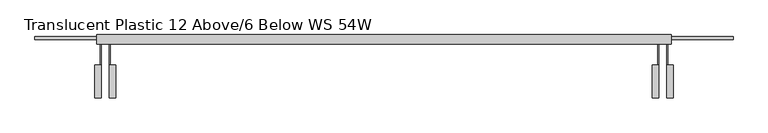
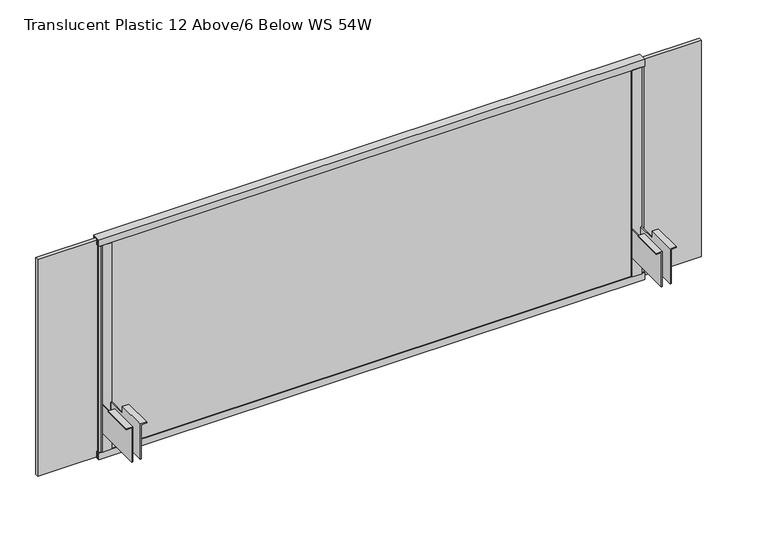
"""IFC4 building model written with IfcOpenShell, lengths in millimetres: furniture geometry, Translucent Plastic 12 Above/6 Below WS 54W."""

from ifc_helpers import new_model, si_unit, frame, origin, place, context, project, spatial, polyline, outline, extrude, faceted_brep, source, transform, mapped, element, save


def translucent_plastic_12_above_6_below_ws_54w_0bdc1dc0(model_context):
    return source(origin(), model_context, "Body", "SolidModel", [
        extrude(outline(polyline([(-532.4757006, -49.2113161), (-532.4757006, -51.894195), (-552.4146937, -51.894195), (-552.4146937, -49.2113161), (-532.4757006, -49.2113161)])), frame((0.0, 0.0, 588.644986), z_axis=(0.0, 0.0, 1.0), x_axis=(1.0, 0.0, 0.0)), (0.0, 0.0, 1.0), 447.5480281),
        extrude(outline(polyline([(552.45, -49.2113161), (552.45, -51.894195), (532.5110069, -51.894195), (532.5110069, -49.2113161), (552.45, -49.2113161)])), frame((0.0, 0.0, 588.644986), z_axis=(0.0, 0.0, 1.0), x_axis=(1.0, 0.0, 0.0)), (0.0, 0.0, 1.0), 447.5480281),
        faceted_brep([(-563.0826835, -156.7976225, 705.0008144), (-552.4146937, -156.7976225, 705.0008144), (-552.4146937, -156.7976225, 630.8328125), (-550.3826839, -156.7976225, 630.8328125), (-550.3826839, -156.7976225, 707.0328125), (-563.0826835, -156.7976225, 707.0328125), (-521.8076957, -156.7976225, 705.0008144), (-521.8076957, -156.7976225, 707.0328125), (-534.5076835, -156.7976225, 707.0328125), (-534.5076987, -156.7976225, 630.8328125), (-532.4757006, -156.7976225, 630.8328125), (-532.4757006, -156.7976225, 705.0008144), (-563.0826835, -93.169195, 705.0008144), (-563.0826835, -93.169195, 707.0328125), (-550.3826839, -93.169195, 707.0328125), (-550.3826839, -93.169195, 691.4499337), (-552.4146937, -93.169195, 691.4499337), (-552.4146937, -93.169195, 705.0008144), (-521.8076957, -93.169195, 705.0008144), (-532.4757006, -93.169195, 705.0008144), (-532.4757006, -93.169195, 691.4499337), (-534.5076835, -93.169195, 691.4499337), (-534.5076835, -93.169195, 707.0328125), (-521.8076957, -93.169195, 707.0328125), (-552.4146937, -52.0699564, 691.4499337), (-552.4146937, -52.0699564, 630.8328125), (-550.3826839, -52.9116265, 630.8328125), (-550.3826839, -52.9116265, 691.4499337), (-534.5076835, -52.9116171, 691.4499337), (-534.5076835, -52.9116171, 630.8328125), (-532.4757006, -52.0699352, 630.8328125), (-532.4757006, -52.0699352, 691.4499337), (-549.5560725, -49.2113161, 630.8328125), (-535.3343006, -49.2113161, 630.8328125), (-536.0316609, -51.3876186, 630.8328125), (-548.8587123, -51.3876186, 630.8328125), (-548.8587123, -51.3876186, 691.4499337), (-536.0316609, -51.3876186, 691.4499337), (-535.3343006, -49.2113161, 691.4499337), (-549.5560725, -49.2113161, 691.4499337)], [[[0, 1, 2, 3, 4, 5]], [[6, 7, 8, 9, 10, 11]], [[12, 13, 14, 15, 16, 17]], [[18, 19, 20, 21, 22, 23]], [[1, 0, 12, 17]], [[17, 16, 24, 25, 2, 1]], [[15, 14, 4, 3, 26, 27]], [[5, 4, 14, 13]], [[0, 5, 13, 12]], [[7, 6, 18, 23]], [[8, 7, 23, 22]], [[22, 21, 28, 29, 9, 8]], [[20, 19, 11, 10, 30, 31]], [[6, 11, 19, 18]], [[2, 25, 32, 33, 30, 10, 9, 29, 34, 35, 26, 3]], [[27, 36, 37, 28, 21, 20, 31, 38, 39, 24, 16, 15]], [[32, 25, 24, 39]], [[33, 32, 39, 38]], [[30, 33, 38, 31]], [[34, 29, 28, 37]], [[35, 34, 37, 36]], [[26, 35, 36, 27]]]),
        faceted_brep([(521.8430019, -156.7976225, 705.0008144), (532.5110069, -156.7976225, 705.0008144), (532.5110069, -156.7976225, 630.8328125), (534.5430168, -156.7976225, 630.8328125), (534.5429898, -156.7976225, 707.0328125), (521.8430019, -156.7976225, 707.0328125), (563.1179898, -156.7976225, 705.0008144), (563.1179898, -156.7976225, 707.0328125), (550.4180019, -156.7976225, 707.0328125), (550.4180019, -156.7976225, 630.8328125), (552.45, -156.7976225, 630.8328125), (552.45, -156.7976225, 705.0008144), (521.8430019, -93.169195, 705.0008144), (521.8430019, -93.169195, 707.0328125), (534.5429898, -93.169195, 707.0328125), (534.5429898, -93.169195, 691.4499337), (532.5110069, -93.169195, 691.4499337), (532.5110069, -93.169195, 705.0008144), (563.1179898, -93.169195, 705.0008144), (552.45, -93.169195, 705.0008144), (552.45, -93.169195, 691.4499337), (550.4180019, -93.169195, 691.4499337), (550.4180019, -93.169195, 707.0328125), (563.1179898, -93.169195, 707.0328125), (532.5110069, -52.0699564, 691.4499337), (532.5110069, -52.0699564, 630.8328125), (534.5429898, -52.9116265, 630.8328125), (534.5429898, -52.9116265, 691.4499337), (550.4180019, -52.9116171, 691.4499337), (550.4180019, -52.9116171, 630.8328125), (552.45, -52.0699352, 630.8328125), (552.45, -52.0699352, 691.4499337), (535.3696281, -49.2113161, 630.8328125), (549.5914, -49.2113161, 630.8328125), (548.8940397, -51.3876186, 630.8328125), (536.0669884, -51.3876186, 630.8328125), (536.0669884, -51.3876186, 691.4499337), (548.8940397, -51.3876186, 691.4499337), (549.5914, -49.2113161, 691.4499337), (535.3696281, -49.2113161, 691.4499337)], [[[0, 1, 2, 3, 4, 5]], [[6, 7, 8, 9, 10, 11]], [[12, 13, 14, 15, 16, 17]], [[18, 19, 20, 21, 22, 23]], [[1, 0, 12, 17]], [[17, 16, 24, 25, 2, 1]], [[15, 14, 4, 3, 26, 27]], [[5, 4, 14, 13]], [[0, 5, 13, 12]], [[7, 6, 18, 23]], [[8, 7, 23, 22]], [[22, 21, 28, 29, 9, 8]], [[20, 19, 11, 10, 30, 31]], [[6, 11, 19, 18]], [[2, 25, 32, 33, 30, 10, 9, 29, 34, 35, 26, 3]], [[27, 36, 37, 28, 21, 20, 31, 38, 39, 24, 16, 15]], [[32, 25, 24, 39]], [[33, 32, 39, 38]], [[30, 33, 38, 31]], [[34, 29, 28, 37]], [[35, 34, 37, 36]], [[26, 35, 36, 27]]]),
        faceted_brep([(-558.8, -51.894195, 1036.193014), (-558.8, -51.894195, 1050.925), (-558.8, -33.8601849, 1050.925), (-558.8, -33.8601849, 1036.193014), (-558.8, -35.892183, 1036.193014), (-558.8, -35.892183, 1048.8930019), (-558.8, -44.401193, 1048.8930019), (-558.8, -44.401193, 1036.193014), (-558.8, -46.4331911, 1036.193014), (-558.8, -46.4331911, 1048.8930019), (-558.8, -49.8621787, 1048.8930019), (-558.8, -49.8621787, 1036.193014), (558.8, -51.894195, 1036.193014), (558.8, -49.8621787, 1036.193014), (558.8, -49.8621787, 1048.8930019), (558.8, -46.4331911, 1048.8930019), (558.8, -46.4331911, 1036.193014), (558.8, -44.401193, 1036.193014), (558.8, -44.401193, 1048.8930019), (558.8, -35.892183, 1048.8930019), (558.8, -35.892183, 1036.193014), (558.8, -33.8601849, 1036.193014), (558.8, -33.8601849, 1050.925), (558.8, -51.894195, 1050.925)], [[[0, 1, 2, 3, 4, 5, 6, 7, 8, 9, 10, 11]], [[12, 13, 14, 15, 16, 17, 18, 19, 20, 21, 22, 23]], [[2, 1, 23, 22]], [[3, 2, 22, 21]], [[4, 3, 21, 20]], [[5, 4, 20, 19]], [[6, 5, 19, 18]], [[7, 6, 18, 17]], [[8, 7, 17, 16]], [[9, 8, 16, 15]], [[10, 9, 15, 14]], [[11, 10, 14, 13]], [[0, 11, 13, 12]], [[1, 0, 12, 23]]]),
        faceted_brep([(-558.8, -51.894195, 573.913), (-558.8, -51.894195, 588.644986), (-558.8, -49.8621787, 588.644986), (-558.8, -49.8621787, 575.9449981), (-558.8, -46.4331911, 575.9449981), (-558.8, -46.4331911, 588.644986), (-558.8, -44.401193, 588.644986), (-558.8, -44.401193, 575.9449981), (-558.8, -35.892183, 575.9449981), (-558.8, -35.892183, 588.644986), (-558.8, -33.8601849, 588.644986), (-558.8, -33.8601849, 573.913), (558.8, -51.894195, 588.644986), (558.8, -51.894195, 573.913), (558.8, -33.8601849, 573.913), (558.8, -33.8601849, 588.644986), (558.8, -35.892183, 588.644986), (558.8, -35.892183, 575.9449981), (558.8, -44.401193, 575.9449981), (558.8, -44.401193, 588.644986), (558.8, -46.4331911, 588.644986), (558.8, -46.4331911, 575.9449981), (558.8, -49.8621787, 575.9449981), (558.8, -49.8621787, 588.644986)], [[[0, 1, 2, 3, 4, 5, 6, 7, 8, 9, 10, 11]], [[12, 13, 14, 15, 16, 17, 18, 19, 20, 21, 22, 23]], [[1, 0, 13, 12]], [[2, 1, 12, 23]], [[3, 2, 23, 22]], [[4, 3, 22, 21]], [[5, 4, 21, 20]], [[6, 5, 20, 19]], [[7, 6, 19, 18]], [[8, 7, 18, 17]], [[9, 8, 17, 16]], [[10, 9, 16, 15]], [[11, 10, 15, 14]], [[0, 11, 14, 13]]]),
        extrude(outline(polyline([(558.8, -47.2269411), (558.8, -49.2113161), (-558.8, -49.2113161), (-558.8, -47.2269411), (558.8, -47.2269411)])), frame((0.0, 0.0, 575.9449981), z_axis=(0.0, 0.0, 1.0), x_axis=(1.0, 0.0, 0.0)), (0.0, 0.0, 1.0), 472.9480039),
        extrude(outline(polyline([(679.45, -36.9716865), (679.45, -43.3216804), (-679.45, -43.3216804), (-679.45, -36.9716865), (679.45, -36.9716865)])), frame((0.0, 0.0, 575.9449981), z_axis=(0.0, 0.0, 1.0), x_axis=(1.0, 0.0, 0.0)), (0.0, 0.0, 1.0), 469.6031796),
    ])


if __name__ == "__main__":
    model = new_model("IFC4")
    model_context = context("Model", 3, world=origin())
    ifc_project = project(units=[si_unit("LENGTHUNIT", "METRE", prefix="MILLI")], contexts=[model_context])
    site = spatial("IfcSite", under=ifc_project)
    building = spatial("IfcBuilding", under=site)
    placement = place(None, origin())
    translucent_plastic_12_above_6_below_ws_54w_shape = translucent_plastic_12_above_6_below_ws_54w_0bdc1dc0(model_context)
    element("IfcFurniture", 1, ObjectType="Translucent Plastic 12 Above/6 Below WS 54W", at=placement, inside=building, context=model_context, shape_type="MappedRepresentation", body=[
        mapped(translucent_plastic_12_above_6_below_ws_54w_shape, transform((0.0, 0.0, 0.0), x_axis=(1.0, 0.0, 0.0), y_axis=(0.0, 1.0, 0.0), z_axis=(0.0, 0.0, 1.0))),
    ])
    save(model, "model.ifc")
